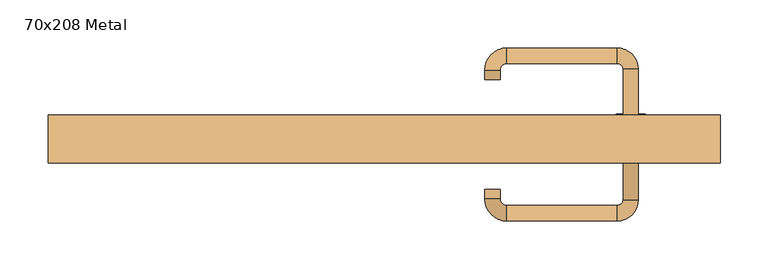
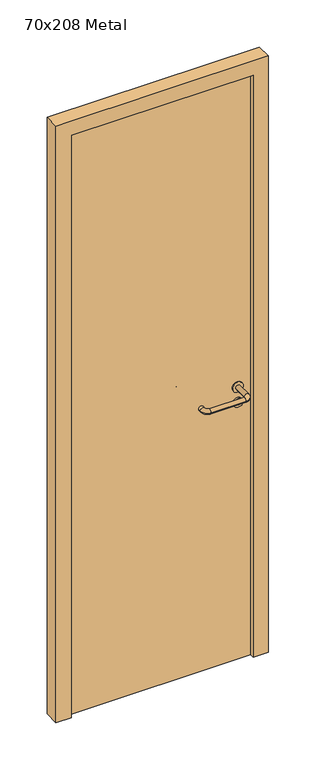
"""IFC4 building model written with IfcOpenShell, lengths in millimetres: door geometry, 70x208 Metal."""

from ifc_helpers import new_model, si_unit, point, frame, frame_2d, origin, origin_with_axes, place, context, project, spatial, polyline, circle_curve, ellipse_curve, trimmed, segment, composite_curve, outline, extrude, source, transform, mapped, element, save
from ifc_brep_helpers import plane_surface, cylinder_surface, revolved_surface, advanced_brep


def door_70x208_metal_f1f7acbc(model_context):
    return source(origin(), model_context, "Body", "SolidModel", [
        extrude(outline(composite_curve([segment(trimmed(circle_curve(frame_2d((897.3605726, 257.0)), 15.0), [point((897.3605726, 272.0))], [point((897.3605726, 242.0))], False, "CARTESIAN"), True, "CONTINUOUS"), segment(trimmed(circle_curve(frame_2d((897.3605726, 257.0)), 15.0), [point((897.3605726, 242.0))], [point((897.3605726, 272.0))], False, "CARTESIAN"), True, "CONTINUOUS")], self_intersect=False), holes=[composite_curve([segment(trimmed(circle_curve(frame_2d((892.5833211, 256.9398032)), 2.0), [point((892.5833211, 258.9398032))], [point((892.5833211, 254.9398032))], True, "CARTESIAN"), True, "CONTINUOUS"), segment(polyline([(892.5833211, 254.9398032), (902.5833211, 254.9398032)]), True, "CONTINUOUS"), segment(trimmed(circle_curve(frame_2d((902.5833211, 256.9398032)), 2.0), [point((902.5833211, 254.9398032))], [point((902.5833211, 258.9398032))], True, "CARTESIAN"), True, "CONTINUOUS"), segment(polyline([(902.5833211, 258.9398032), (892.5833211, 258.9398032)]), True, "CONTINUOUS")], self_intersect=False)]), frame((0.0, 58.65, 0.0), z_axis=(0.0, 1.0, 0.0), x_axis=(0.0, 0.0, 1.0)), (0.0, 0.0, 1.0), 6.35),
        extrude(outline(composite_curve([segment(trimmed(circle_curve(frame_2d((950.0, 257.0)), 17.526), [point((950.0, 274.526))], [point((950.0, 239.474))], False, "CARTESIAN"), True, "CONTINUOUS"), segment(trimmed(circle_curve(frame_2d((950.0, 257.0)), 17.526), [point((950.0, 239.474))], [point((950.0, 274.526))], False, "CARTESIAN"), True, "CONTINUOUS")], self_intersect=False)), frame((0.0, 61.825, 0.0), z_axis=(0.0, 1.0, 0.0), x_axis=(0.0, 0.0, 1.0)), (0.0, 0.0, 1.0), 3.175),
        advanced_brep(
        [(265.0, 65.0, 950.0), (249.0, 65.0, 950.0), (249.0, 12.0, 950.0), (265.0, 12.0, 950.0), (242.8578644, 5.8578644, 950.0), (242.8578644, -10.1421356, 950.0), (127.8578644, 5.8578644, 950.0), (127.8578644, -10.1421356, 950.0), (121.008622, 12.7071068, 950.0), (105.008622, 12.7071068, 950.0), (105.008622, 22.7071068, 950.0), (121.008622, 22.7071068, 950.0)],
        [
            (0, 1, circle_curve(frame((257.0, 65.0, 950.0), z_axis=(0.0, 1.0, 0.0), x_axis=(-1.0, 0.0, 0.0)), 8.0)),
            (1, 0, circle_curve(frame((257.0, 65.0, 950.0), z_axis=(0.0, 1.0, 0.0), x_axis=(-1.0, 0.0, 0.0)), 8.0)),
            (1, 2),
            (2, 3, circle_curve(frame((257.0, 12.0, 950.0), z_axis=(0.0, 1.0, 0.0), x_axis=(-1.0, 0.0, 0.0)), 8.0)),
            (3, 0),
            (3, 2, circle_curve(frame((257.0, 12.0, 950.0), z_axis=(0.0, 1.0, 0.0), x_axis=(-1.0, 0.0, 0.0)), 8.0)),
            (4, 5, circle_curve(frame((242.8578644, -2.1421356, 950.0), z_axis=(1.0, 0.0, 0.0), x_axis=(0.0, 1.0, 0.0)), 8.0)),
            (5, 3, circle_curve(frame((242.8578644, 12.0, 950.0), z_axis=(0.0, 0.0, 1.0), x_axis=(1.0, 0.0, 0.0)), 22.1421356)),
            (2, 4, circle_curve(frame((242.8578644, 12.0, 950.0), z_axis=(0.0, 0.0, -1.0), x_axis=(1.0, 0.0, 0.0)), 6.1421356)),
            (5, 4, circle_curve(frame((242.8578644, -2.1421356, 950.0), z_axis=(1.0, 0.0, 0.0), x_axis=(0.0, 1.0, 0.0)), 8.0)),
            (4, 6),
            (6, 7, circle_curve(frame((127.8578644, -2.1421356, 950.0), z_axis=(1.0, 0.0, 0.0), x_axis=(0.0, 1.0, 0.0)), 8.0)),
            (7, 5),
            (7, 6, circle_curve(frame((127.8578644, -2.1421356, 950.0), z_axis=(1.0, 0.0, 0.0), x_axis=(0.0, 1.0, 0.0)), 8.0)),
            (8, 9, circle_curve(frame((113.008622, 12.7071068, 950.0), z_axis=(0.0, -1.0, 0.0), x_axis=(1.0, 0.0, 0.0)), 8.0)),
            (9, 7, circle_curve(frame((127.8578644, 12.7071068, 950.0), z_axis=(0.0, 0.0, 1.0), x_axis=(0.0, -1.0, 0.0)), 22.8492424)),
            (6, 8, circle_curve(frame((127.8578644, 12.7071068, 950.0), z_axis=(0.0, 0.0, -1.0), x_axis=(0.0, -1.0, 0.0)), 6.8492424)),
            (9, 8, circle_curve(frame((113.008622, 12.7071068, 950.0), z_axis=(0.0, -1.0, 0.0), x_axis=(1.0, 0.0, 0.0)), 8.0)),
            (10, 11, circle_curve(frame((113.008622, 22.7071068, 950.0), z_axis=(0.0, 1.0, 0.0), x_axis=(1.0, 0.0, 0.0)), 8.0)),
            (11, 10, circle_curve(frame((113.008622, 22.7071068, 950.0), z_axis=(0.0, 1.0, 0.0), x_axis=(1.0, 0.0, 0.0)), 8.0)),
            (8, 11),
            (10, 9),
        ],
        [
            plane_surface(frame((257.0, 65.0, 0.0), z_axis=(0.0, 1.0, 0.0), x_axis=(0.0, 0.0, 1.0))),
            cylinder_surface(frame((257.0, 65.0, 950.0), z_axis=(0.0, 1.0, 0.0), x_axis=(-1.0, 0.0, 0.0)), 8.0),
            revolved_surface(trimmed(ellipse_curve(frame((257.0, 12.0, 950.0), z_axis=(0.0, -1.0, 0.0), x_axis=(-1.0, 0.0, 0.0)), 8.0, 8.0), [point((265.0, 12.0, 950.0))], [point((249.0, 12.0, 950.0))], True, "CARTESIAN"), (242.8578644, 12.0, 0.0), (0.0, 0.0, 1.0)),
            revolved_surface(trimmed(ellipse_curve(frame((257.0, 12.0, 950.0), z_axis=(0.0, -1.0, 0.0), x_axis=(-1.0, 0.0, 0.0)), 8.0, 8.0), [point((249.0, 12.0, 950.0))], [point((265.0, 12.0, 950.0))], True, "CARTESIAN"), (242.8578644, 12.0, 0.0), (0.0, 0.0, 1.0)),
            cylinder_surface(frame((242.8578644, -2.1421356, 950.0), z_axis=(1.0, 0.0, 0.0), x_axis=(0.0, 1.0, 0.0)), 8.0),
            revolved_surface(trimmed(ellipse_curve(frame((127.8578644, -2.1421356, 950.0), z_axis=(-1.0, 0.0, 0.0), x_axis=(0.0, 1.0, 0.0)), 8.0, 8.0), [point((127.8578644, -10.1421356, 950.0))], [point((127.8578644, 5.8578644, 950.0))], True, "CARTESIAN"), (127.8578644, 12.7071068, 0.0), (0.0, 0.0, 1.0)),
            revolved_surface(trimmed(ellipse_curve(frame((127.8578644, -2.1421356, 950.0), z_axis=(-1.0, 0.0, 0.0), x_axis=(0.0, 1.0, 0.0)), 8.0, 8.0), [point((127.8578644, 5.8578644, 950.0))], [point((127.8578644, -10.1421356, 950.0))], True, "CARTESIAN"), (127.8578644, 12.7071068, 0.0), (0.0, 0.0, 1.0)),
            plane_surface(frame((113.008622, 22.7071068, 0.0), z_axis=(0.0, 1.0, 0.0), x_axis=(0.0, 0.0, 1.0))),
            cylinder_surface(frame((113.008622, 12.7071068, 950.0), z_axis=(0.0, -1.0, 0.0), x_axis=(1.0, 0.0, 0.0)), 8.0),
        ],
        [
            (0, [[1, 2]]),
            (1, [[3, 4, 5, -2]]),
            (1, [[-5, 6, -3, -1]]),
            (2, [[7, 8, -4, 9]]),
            (3, [[10, -9, -6, -8]]),
            (4, [[11, 12, 13, -7]]),
            (4, [[-13, 14, -11, -10]]),
            (5, [[15, 16, -12, 17]]),
            (6, [[18, -17, -14, -16]]),
            (7, [[19, 20]]),
            (8, [[21, -19, 22, -15]]),
            (8, [[-22, -20, -21, -18]]),
        ],
    ),
        extrude(outline(composite_curve([segment(trimmed(circle_curve(frame_2d((0.0, -15.0)), 15.0), [point((0.0, -30.0))], [point((0.0, 0.0))], False, "CARTESIAN"), True, "CONTINUOUS"), segment(trimmed(circle_curve(frame_2d((0.0, -15.0)), 15.0), [point((0.0, 0.0))], [point((0.0, -30.0))], False, "CARTESIAN"), True, "CONTINUOUS")], self_intersect=False), holes=[composite_curve([segment(trimmed(circle_curve(frame_2d((4.7772515, -14.9398032)), 2.0), [point((4.7772515, -16.9398032))], [point((4.7772515, -12.9398032))], True, "CARTESIAN"), True, "CONTINUOUS"), segment(polyline([(4.7772515, -12.9398032), (-5.2227485, -12.9398032)]), True, "CONTINUOUS"), segment(trimmed(circle_curve(frame_2d((-5.2227485, -14.9398032)), 2.0), [point((-5.2227485, -12.9398032))], [point((-5.2227485, -16.9398032))], True, "CARTESIAN"), True, "CONTINUOUS"), segment(polyline([(-5.2227485, -16.9398032), (4.7772515, -16.9398032)]), True, "CONTINUOUS")], self_intersect=False)]), frame((242.0, 95.0, 897.3605726), z_axis=(1.8870575173328306e-12, 1.0, 0.0), x_axis=(0.0, 0.0, -1.0)), (0.0, 0.0, 1.0), 6.35),
        extrude(outline(composite_curve([segment(trimmed(circle_curve(frame_2d((0.0, -17.526)), 17.526), [point((0.0, -35.052))], [point((0.0, 0.0))], False, "CARTESIAN"), True, "CONTINUOUS"), segment(trimmed(circle_curve(frame_2d((0.0, -17.526)), 17.526), [point((0.0, 0.0))], [point((0.0, -35.052))], False, "CARTESIAN"), True, "CONTINUOUS")], self_intersect=False)), frame((239.474, 95.0, 950.0), z_axis=(1.8870575173328306e-12, 1.0, 0.0), x_axis=(0.0, 0.0, -1.0)), (0.0, 0.0, 1.0), 3.175),
        advanced_brep(
        [(265.0, 95.0, 950.0), (249.0, 95.0, 950.0), (265.0, 148.0, 950.0), (249.0, 148.0, 950.0), (242.8578644, 154.1421356, 950.0), (242.8578644, 170.1421356, 950.0), (127.8578644, 170.1421356, 950.0), (127.8578644, 154.1421356, 950.0), (121.008622, 147.2928932, 950.0), (105.008622, 147.2928932, 950.0), (105.008622, 137.2928932, 950.0), (121.008622, 137.2928932, 950.0)],
        [
            (0, 1, circle_curve(frame((257.0, 95.0, 950.0), z_axis=(-1.888672253512351e-12, -1.0, 0.0), x_axis=(-1.0, 1.888672253512351e-12, 0.0)), 8.0)),
            (1, 0, circle_curve(frame((257.0, 95.0, 950.0), z_axis=(-1.888672253512351e-12, -1.0, 0.0), x_axis=(-1.0, 1.888672253512351e-12, 0.0)), 8.0)),
            (0, 2),
            (2, 3, circle_curve(frame((257.0, 148.0, 950.0), z_axis=(-1.888672253512351e-12, -1.0, 0.0), x_axis=(-1.0, 1.888672253512351e-12, 0.0)), 8.0)),
            (3, 1),
            (3, 2, circle_curve(frame((257.0, 148.0, 950.0), z_axis=(-1.888672253512351e-12, -1.0, 0.0), x_axis=(-1.0, 1.888672253512351e-12, 0.0)), 8.0)),
            (4, 3, circle_curve(frame((242.8578644, 148.0, 950.0), z_axis=(0.0, 0.0, -1.0), x_axis=(1.0, -1.880717803715015e-12, 0.0)), 6.1421356)),
            (2, 5, circle_curve(frame((242.8578644, 148.0, 950.0), z_axis=(0.0, 0.0, 1.0), x_axis=(1.0, -1.880717803715015e-12, 0.0)), 22.1421356)),
            (5, 4, circle_curve(frame((242.8578644, 162.1421356, 950.0), z_axis=(1.0, -1.913702061528922e-12, 0.0), x_axis=(-1.913702061528922e-12, -1.0, 0.0)), 8.0)),
            (4, 5, circle_curve(frame((242.8578644, 162.1421356, 950.0), z_axis=(1.0, -1.913702061528922e-12, 0.0), x_axis=(-1.913702061528922e-12, -1.0, 0.0)), 8.0)),
            (5, 6),
            (6, 7, circle_curve(frame((127.8578644, 162.1421356, 950.0), z_axis=(1.0, -1.913719828541269e-12, 0.0), x_axis=(-1.913719828541269e-12, -1.0, 0.0)), 8.0)),
            (7, 4),
            (7, 6, circle_curve(frame((127.8578644, 162.1421356, 950.0), z_axis=(1.0, -1.913719828541269e-12, 0.0), x_axis=(-1.913719828541269e-12, -1.0, 0.0)), 8.0)),
            (8, 7, circle_curve(frame((127.8578644, 147.2928932, 950.0), z_axis=(0.0, 0.0, -1.0), x_axis=(1.9120873253494017e-12, 1.0, 0.0)), 6.8492424)),
            (6, 9, circle_curve(frame((127.8578644, 147.2928932, 950.0), z_axis=(0.0, 0.0, 1.0), x_axis=(1.9120873253494017e-12, 1.0, 0.0)), 22.8492424)),
            (9, 8, circle_curve(frame((113.008622, 147.2928932, 950.0), z_axis=(1.890448610351751e-12, 1.0, 0.0), x_axis=(1.0, -1.890448610351751e-12, 0.0)), 8.0)),
            (8, 9, circle_curve(frame((113.008622, 147.2928932, 950.0), z_axis=(1.8888942981172756e-12, 1.0, 0.0), x_axis=(1.0, -1.8888942981172756e-12, 0.0)), 8.0)),
            (10, 11, circle_curve(frame((113.008622, 137.2928932, 950.0), z_axis=(-1.8903642334018795e-12, -1.0, 0.0), x_axis=(1.0, -1.8903642334018795e-12, 0.0)), 8.0)),
            (11, 10, circle_curve(frame((113.008622, 137.2928932, 950.0), z_axis=(-1.8903642334018795e-12, -1.0, 0.0), x_axis=(1.0, -1.8903642334018795e-12, 0.0)), 8.0)),
            (9, 10),
            (11, 8),
        ],
        [
            plane_surface(frame((257.0, 95.0, 0.0), z_axis=(-1.8870575173328306e-12, -1.0, 0.0), x_axis=(0.0, 0.0, 1.0))),
            cylinder_surface(frame((257.0, 95.0, 950.0), z_axis=(-1.888672253512351e-12, -1.0, 0.0), x_axis=(-1.0, 1.888672253512351e-12, 0.0)), 8.0),
            revolved_surface(trimmed(ellipse_curve(frame((257.0, 148.0, 950.0), z_axis=(-1.8823325398945356e-12, -1.0, 0.0), x_axis=(-1.0, 1.8823325398945356e-12, 0.0)), 8.0, 8.0), [point((265.0, 148.0, 950.0))], [point((249.0, 148.0, 950.0))], True, "CARTESIAN"), (242.8578644, 148.0, 0.0), (0.0, 0.0, 1.0)),
            revolved_surface(trimmed(ellipse_curve(frame((257.0, 148.0, 950.0), z_axis=(-1.8823325398945356e-12, -1.0, 0.0), x_axis=(-1.0, 1.8823325398945356e-12, 0.0)), 8.0, 8.0), [point((249.0, 148.0, 950.0))], [point((265.0, 148.0, 950.0))], True, "CARTESIAN"), (242.8578644, 148.0, 0.0), (0.0, 0.0, 1.0)),
            cylinder_surface(frame((242.8578644, 162.1421356, 950.0), z_axis=(1.0, -1.913719828541269e-12, 0.0), x_axis=(-1.913719828541269e-12, -1.0, 0.0)), 8.0),
            revolved_surface(trimmed(ellipse_curve(frame((127.8578644, 162.1421356, 950.0), z_axis=(1.0, -1.913702061528922e-12, 0.0), x_axis=(-1.913702061528922e-12, -1.0, 0.0)), 8.0, 8.0), [point((127.8578644, 170.1421356, 950.0))], [point((127.8578644, 154.1421356, 950.0))], True, "CARTESIAN"), (127.8578644, 147.2928932, 0.0), (0.0, 0.0, 1.0)),
            revolved_surface(trimmed(ellipse_curve(frame((127.8578644, 162.1421356, 950.0), z_axis=(1.0, -1.913702061528922e-12, 0.0), x_axis=(-1.913702061528922e-12, -1.0, 0.0)), 8.0, 8.0), [point((127.8578644, 154.1421356, 950.0))], [point((127.8578644, 170.1421356, 950.0))], True, "CARTESIAN"), (127.8578644, 147.2928932, 0.0), (0.0, 0.0, 1.0)),
            plane_surface(frame((113.008622, 137.2928932, 0.0), z_axis=(-1.8887494972223595e-12, -1.0, 0.0), x_axis=(0.0, 0.0, 1.0))),
            cylinder_surface(frame((113.008622, 147.2928932, 950.0), z_axis=(1.8903642334018795e-12, 1.0, 0.0), x_axis=(1.0, -1.8903642334018795e-12, 0.0)), 8.0),
        ],
        [
            (0, [[1, 2]]),
            (1, [[-1, 3, 4, 5]]),
            (1, [[-2, -5, 6, -3]]),
            (2, [[7, -4, 8, 9]]),
            (3, [[-8, -6, -7, 10]]),
            (4, [[-9, 11, 12, 13]]),
            (4, [[-10, -13, 14, -11]]),
            (5, [[15, -12, 16, 17]]),
            (6, [[-16, -14, -15, 18]]),
            (7, [[19, 20]]),
            (8, [[-17, 21, -20, 22]]),
            (8, [[-18, -22, -19, -21]]),
        ],
    ),
        extrude(outline(polyline([(2030.0, 300.0), (0.0, 300.0), (0.0, 350.0), (2080.0, 350.0), (2080.0, -350.0), (0.0, -350.0), (0.0, -300.0), (2030.0, -300.0), (2030.0, 300.0)])), frame((0.0, 50.0, 0.0), z_axis=(0.0, 1.0, 0.0), x_axis=(0.0, 0.0, 1.0)), (0.0, 0.0, 1.0), 50.0),
        extrude(outline(polyline([(-300.0, 95.0), (300.0, 95.0), (300.0, 65.0), (-300.0, 65.0), (-300.0, 95.0)])), origin_with_axes(), (0.0, 0.0, 1.0), 2030.0),
    ])


if __name__ == "__main__":
    model = new_model("IFC4")
    model_context = context("Model", 3, world=origin())
    ifc_project = project(units=[si_unit("LENGTHUNIT", "METRE", prefix="MILLI")], contexts=[model_context])
    site = spatial("IfcSite", under=ifc_project)
    building = spatial("IfcBuilding", under=site)
    placement = place(None, origin())
    door_70x208_metal_shape = door_70x208_metal_f1f7acbc(model_context)
    element("IfcDoor", 1, ObjectType="70x208 Metal", at=placement, inside=building, context=model_context, shape_type="MappedRepresentation", body=[
        mapped(door_70x208_metal_shape, transform((0.0, 0.0, 0.0), x_axis=(1.0, 0.0, 0.0), y_axis=(0.0, 1.0, 0.0), z_axis=(0.0, 0.0, 1.0))),
    ])
    save(model, "model.ifc")
